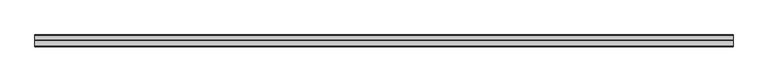
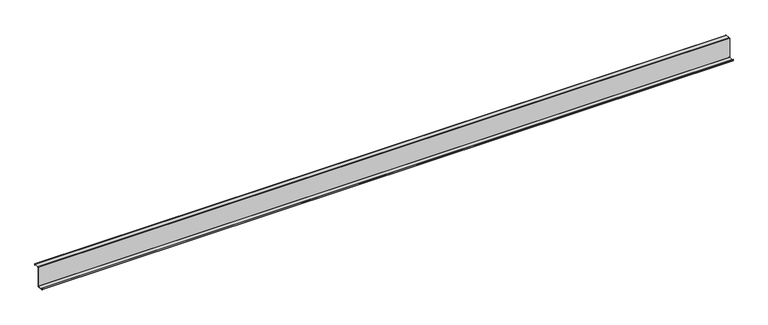
"""IFC4 building model written with IfcOpenShell, lengths in millimetres: member geometry."""

from ifc_helpers import new_model, si_unit, point, frame, frame_2d, origin, place, context, project, spatial, polyline, circle_curve, trimmed, segment, composite_curve, outline, extrude, source, transform, mapped, element, save


def member_b620942f(model_context):
    return source(origin(), model_context, "Body", "SweptSolid", [
        extrude(outline(composite_curve([segment(trimmed(circle_curve(frame_2d((-3.5, -123.5)), 3.5), [point((0.0, -123.5))], [point((-3.5, -127.0))], False, "CARTESIAN"), True, "CONTINUOUS"), segment(polyline([(-3.5, -127.0), (-75.0, -127.0)]), True, "CONTINUOUS"), segment(trimmed(circle_curve(frame_2d((-75.0, -123.5)), 3.5), [point((-75.0, -127.0))], [point((-78.5, -123.5))], False, "CARTESIAN"), True, "CONTINUOUS"), segment(polyline([(-78.5, -123.5), (-78.5, -107.5), (-77.0, -107.5), (-77.0, -123.5)]), True, "CONTINUOUS"), segment(trimmed(circle_curve(frame_2d((-75.0, -123.5)), 2.0), [point((-77.0, -123.5))], [point((-75.0, -125.5))], True, "CARTESIAN"), True, "CONTINUOUS"), segment(polyline([(-75.0, -125.5), (-3.5, -125.5)]), True, "CONTINUOUS"), segment(trimmed(circle_curve(frame_2d((-3.5, -123.5)), 2.0), [point((-3.5, -125.5))], [point((-1.5, -123.5))], True, "CARTESIAN"), True, "CONTINUOUS"), segment(polyline([(-1.5, -123.5), (-1.5, 123.5)]), True, "CONTINUOUS"), segment(trimmed(circle_curve(frame_2d((2.0, 123.5)), 3.5), [point((-1.5, 123.5))], [point((2.0, 127.0))], False, "CARTESIAN"), True, "CONTINUOUS"), segment(polyline([(2.0, 127.0), (63.5, 127.0)]), True, "CONTINUOUS"), segment(trimmed(circle_curve(frame_2d((63.5, 123.5)), 3.5), [point((63.5, 127.0))], [point((67.0, 123.5))], False, "CARTESIAN"), True, "CONTINUOUS"), segment(polyline([(67.0, 123.5), (67.0, 107.0), (65.5, 107.0), (65.5, 123.5)]), True, "CONTINUOUS"), segment(trimmed(circle_curve(frame_2d((63.5, 123.5)), 2.0), [point((65.5, 123.5))], [point((63.5, 125.5))], True, "CARTESIAN"), True, "CONTINUOUS"), segment(polyline([(63.5, 125.5), (2.0, 125.5)]), True, "CONTINUOUS"), segment(trimmed(circle_curve(frame_2d((2.0, 123.5)), 2.0), [point((2.0, 125.5))], [point((0.0, 123.5))], True, "CARTESIAN"), True, "CONTINUOUS"), segment(polyline([(0.0, 123.5), (0.0, -123.5)]), True, "CONTINUOUS")], self_intersect=False)), frame((-4288.0, 0.0, 0.0), z_axis=(1.0, 0.0, 0.0), x_axis=(0.0, 1.0, 0.0)), (0.0, 0.0, 1.0), 8576.0),
    ])


if __name__ == "__main__":
    model = new_model("IFC4")
    model_context = context("Model", 3, world=origin())
    ifc_project = project(units=[si_unit("LENGTHUNIT", "METRE", prefix="MILLI")], contexts=[model_context])
    site = spatial("IfcSite", under=ifc_project)
    building = spatial("IfcBuilding", under=site)
    placement = place(None, origin())
    member_shape = member_b620942f(model_context)
    element("IfcMember", 1, at=placement, inside=building, context=model_context, shape_type="MappedRepresentation", body=[
        mapped(member_shape, transform((0.0, 0.0, 0.0), x_axis=(1.0, 0.0, 0.0), y_axis=(0.0, 1.0, 0.0), z_axis=(0.0, 0.0, 1.0))),
    ])
    save(model, "model.ifc")
